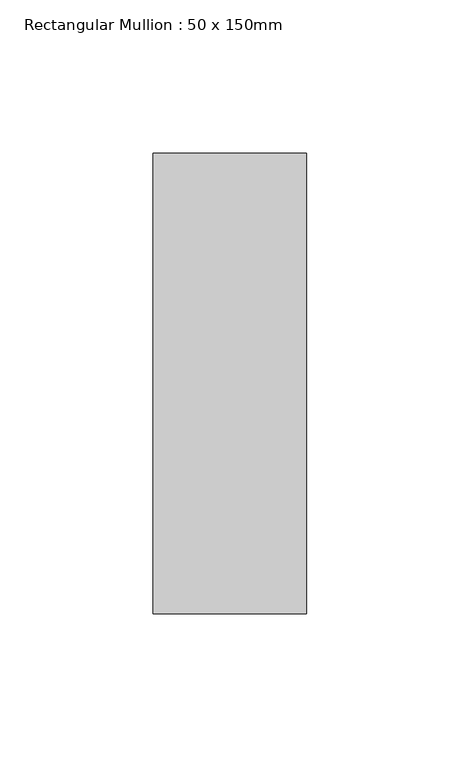
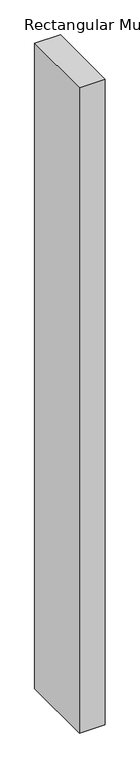
"""IFC4 building model written with IfcOpenShell, lengths in millimetres: member geometry, Rectangular Mullion : 50 x 150mm."""

import ifcopenshell
import ifcopenshell.guid

model = None  # the IFC model being written
_history = None  # IfcOwnerHistory: only IFC2X3 demands one
_inside = {}  # id of a spatial element -> (the spatial element, [elements in it])
_under = {}  # id of a project, library or spatial element -> (it, [spatial elements below it])
_declared = {}  # id of a project -> (the project, [libraries it declares])
_typed = {}  # id of a type object -> (the type object, [elements of that type])
_made_of = {}  # id of a material, layer set ... -> (it, [elements and type objects made of it])


def new_model(schema):
    """Start an empty IFC model of exactly this schema.

    Asked for "IFC4X3", IfcOpenShell would pick the latest addendum, in which some entities
    have other attributes; the version numbers below select the first issue.
    IFC2X3 requires an IfcOwnerHistory on every rooted entity: one is made here for all.
    """
    global model, _history
    if schema == "IFC4X3":
        model = ifcopenshell.file(schema_version=(4, 3, 0, 0))
    else:
        model = ifcopenshell.file(schema=schema)
    _inside.clear()
    _under.clear()
    _declared.clear()
    _typed.clear()
    _made_of.clear()
    _history = None
    if model.schema == "IFC2X3":
        org = make("IfcOrganization", Name="unknown")
        user = make(
            "IfcPersonAndOrganization",
            ThePerson=make("IfcPerson", FamilyName="unknown"),
            TheOrganization=org,
        )
        app = make(
            "IfcApplication",
            ApplicationDeveloper=org,
            Version="unknown",
            ApplicationFullName="unknown",
            ApplicationIdentifier="unknown",
        )
        _history = make(
            "IfcOwnerHistory",
            OwningUser=user,
            OwningApplication=app,
            ChangeAction="ADDED",
            CreationDate=0,
        )
    return model


def make(cls, **values):
    """One entity of the class cls with the attributes given. An attribute that is None is left unset."""
    return model.create_entity(
        cls, **{name: value for name, value in values.items() if value is not None}
    )


def rooted(cls, **values):
    """An entity with a GlobalId (a new one), such as an element, a storey or a relation."""
    return make(cls, GlobalId=ifcopenshell.guid.new(), OwnerHistory=_history, **values)


def si_unit(unit_type, name, prefix=None):
    """IfcSIUnit, for example si_unit("LENGTHUNIT", "METRE", prefix="MILLI")."""
    return make("IfcSIUnit", UnitType=unit_type, Prefix=prefix, Name=name)


def assignment(units):
    """IfcUnitAssignment: the units of a project."""
    return None if units is None else make("IfcUnitAssignment", Units=units)


def point(xyz):
    """IfcCartesianPoint."""
    return None if xyz is None else make("IfcCartesianPoint", Coordinates=xyz)


def direction(xyz):
    """IfcDirection."""
    return None if xyz is None else make("IfcDirection", DirectionRatios=xyz)


def frame(location, z_axis=None, x_axis=None):
    """IfcAxis2Placement3D, a coordinate frame: its origin and axes. An axis left out is left unset."""
    return make(
        "IfcAxis2Placement3D",
        Location=point(location),
        Axis=direction(z_axis),
        RefDirection=direction(x_axis),
    )


def origin():
    """The frame at (0, 0, 0) with its axes left unset."""
    return frame((0.0, 0.0, 0.0))


def place(relative_to, where):
    """IfcLocalPlacement: puts the frame where relative to a parent placement (None: the world)."""
    return make(
        "IfcLocalPlacement", PlacementRelTo=relative_to, RelativePlacement=where
    )


def context(
    kind, dimensions, precision=None, world=None, true_north=None, identifier=None
):
    """IfcGeometricRepresentationContext, for example the 3D "Model" context."""
    return make(
        "IfcGeometricRepresentationContext",
        ContextIdentifier=identifier,
        ContextType=kind,
        CoordinateSpaceDimension=dimensions,
        Precision=precision,
        WorldCoordinateSystem=world,
        TrueNorth=true_north,
    )


def project(units=None, contexts=None):
    """IfcProject with its units and contexts."""
    return rooted(
        "IfcProject",
        Name="project",
        RepresentationContexts=contexts,
        UnitsInContext=assignment(units),
    )


def spatial(cls, under=None, at=None, **own):
    """A site, building, storey or space (cls), placed at a placement, below another one or the project."""
    s = rooted(cls, ObjectPlacement=at, **own)
    if under is not None:
        _under.setdefault(under.id(), (under, []))[1].append(s)
    return s


def polyline(points):
    """IfcPolyline through the points."""
    return make("IfcPolyline", Points=[point(p) for p in points])


def outline(outer, holes=None, kind="AREA"):
    """IfcArbitraryClosedProfileDef: a profile drawn as a closed curve; with holes, ...WithVoids."""
    if holes is None:
        return make("IfcArbitraryClosedProfileDef", ProfileType=kind, OuterCurve=outer)
    return make(
        "IfcArbitraryProfileDefWithVoids",
        ProfileType=kind,
        OuterCurve=outer,
        InnerCurves=holes,
    )


def extrude(swept, where, along, depth):
    """IfcExtrudedAreaSolid: the profile swept, set in the frame where, extruded along a direction by depth."""
    return make(
        "IfcExtrudedAreaSolid",
        SweptArea=swept,
        Position=where,
        ExtrudedDirection=direction(along),
        Depth=depth,
    )


def shape(context_of_items, identifier, shape_type, items):
    """IfcShapeRepresentation: the items that make up one representation, for example the "Body"."""
    return make(
        "IfcShapeRepresentation",
        ContextOfItems=context_of_items,
        RepresentationIdentifier=identifier,
        RepresentationType=shape_type,
        Items=items,
    )


def source(mapping_origin, context_of_items, identifier, shape_type, items):
    """IfcRepresentationMap: a shape defined once, which mapped items show again and again."""
    return make(
        "IfcRepresentationMap",
        MappingOrigin=mapping_origin,
        MappedRepresentation=shape(context_of_items, identifier, shape_type, items),
    )


def transform(
    local_origin,
    x_axis=None,
    y_axis=None,
    z_axis=None,
    scale=None,
    scale2=None,
    scale3=None,
    uniform=True,
):
    """IfcCartesianTransformationOperator3D, or its non-uniform kind. x_axis, y_axis, z_axis: its Axis1, 2, 3."""
    if uniform:
        return make(
            "IfcCartesianTransformationOperator3D",
            Axis1=direction(x_axis),
            Axis2=direction(y_axis),
            LocalOrigin=point(local_origin),
            Scale=scale,
            Axis3=direction(z_axis),
        )
    return make(
        "IfcCartesianTransformationOperator3DnonUniform",
        Axis1=direction(x_axis),
        Axis2=direction(y_axis),
        LocalOrigin=point(local_origin),
        Scale=scale,
        Axis3=direction(z_axis),
        Scale2=scale2,
        Scale3=scale3,
    )


def mapped(mapping_source, mapping_target):
    """IfcMappedItem: shows the shape of a source again, moved by a transform."""
    return make(
        "IfcMappedItem", MappingSource=mapping_source, MappingTarget=mapping_target
    )


def made_of(thing, what):
    """Note that an element or type object is made of a material, layer set ...; save() writes the relation."""
    if what is not None:
        _made_of.setdefault(what.id(), (what, []))[1].append(thing)
    return thing


def element(
    cls,
    number,
    at=None,
    inside=None,
    cuts=None,
    type_object=None,
    material=None,
    context=None,
    identifier="Body",
    shape_type=None,
    held_by="IfcProductDefinitionShape",
    body=None,
    shapes=None,
    **own,
):
    """One element of the class cls, such as IfcWall. Its Tag is "e" and its number.

    at: its placement. inside: the storey or other place that contains it. cuts: it is an
    opening in that element (IfcRelVoidsElement). A single representation is given by context,
    identifier, shape_type and body (its items); several are given by shapes. held_by: the class
    of the entity that holds the representations. save() writes the other relations.
    """
    e = rooted(cls, Tag="e%d" % number, ObjectPlacement=at, **own)
    if body is not None:
        shapes = [shape(context, identifier, shape_type, body)]
    if shapes is not None:
        e.Representation = make(held_by, Representations=shapes)
    if inside is not None:
        _inside.setdefault(inside.id(), (inside, []))[1].append(e)
    if cuts is not None:
        rooted(
            "IfcRelVoidsElement", RelatingBuildingElement=cuts, RelatedOpeningElement=e
        )
    if type_object is not None:
        _typed.setdefault(type_object.id(), (type_object, []))[1].append(e)
    return made_of(e, material)


def aggregate(whole, parts):
    """IfcRelAggregates: a whole, such as a stair, and the parts it consists of."""
    return rooted("IfcRelAggregates", RelatingObject=whole, RelatedObjects=parts)


def save(model, path):
    """Write the relations noted so far, then the file.

    IfcRelAggregates (storeys below a building ...), IfcRelContainedInSpatialStructure (elements
    in a storey), IfcRelDefinesByType, IfcRelAssociatesMaterial and IfcRelDeclares: one each for
    every whole, place, type object, material and project.
    """
    for whole, parts in _under.values():
        aggregate(whole, parts)
    for where, things in _inside.values():
        rooted(
            "IfcRelContainedInSpatialStructure",
            RelatedElements=things,
            RelatingStructure=where,
        )
    for kind, things in _typed.values():
        rooted("IfcRelDefinesByType", RelatedObjects=things, RelatingType=kind)
    for what, things in _made_of.values():
        rooted("IfcRelAssociatesMaterial", RelatedObjects=things, RelatingMaterial=what)
    for by, libraries in _declared.values():
        rooted("IfcRelDeclares", RelatingContext=by, RelatedDefinitions=libraries)
    model.write(path)


def rectangular_mullion_50_x_150mm_189380b4(model_context):
    return source(origin(), model_context, "Body", "SweptSolid", [
        extrude(outline(polyline([(25.0, 75.0), (25.0, -75.0), (-25.0, -75.0), (-25.0, 75.0), (25.0, 75.0)])), frame((0.0, 0.0, -1325.0), z_axis=(0.0, 0.0, 1.0), x_axis=(1.0, 0.0, 0.0)), (0.0, 0.0, 1.0), 1325.0),
    ])


if __name__ == "__main__":
    model = new_model("IFC4")
    model_context = context("Model", 3, world=origin())
    ifc_project = project(units=[si_unit("LENGTHUNIT", "METRE", prefix="MILLI")], contexts=[model_context])
    site = spatial("IfcSite", under=ifc_project)
    building = spatial("IfcBuilding", under=site)
    placement = place(None, origin())
    rectangular_mullion_50_x_150mm_shape = rectangular_mullion_50_x_150mm_189380b4(model_context)
    element("IfcMember", 1, ObjectType="Rectangular Mullion : 50 x 150mm", at=placement, inside=building, context=model_context, shape_type="MappedRepresentation", body=[
        mapped(rectangular_mullion_50_x_150mm_shape, transform((0.0, 0.0, 0.0), x_axis=(1.0, 0.0, 0.0), y_axis=(0.0, 1.0, 0.0), z_axis=(0.0, 0.0, 1.0))),
    ])
    save(model, "model.ifc")
